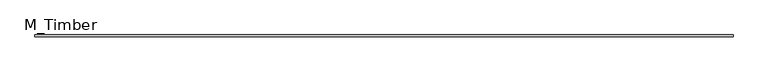
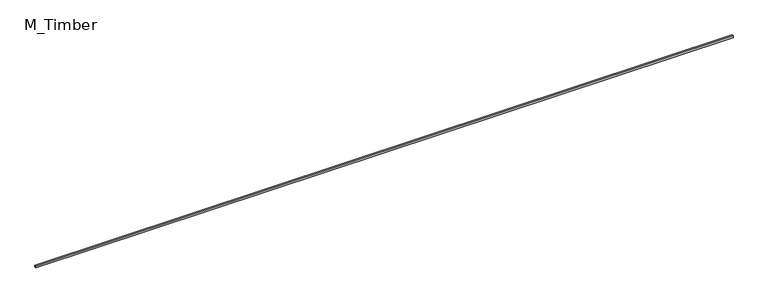
"""IFC4 building model written with IfcOpenShell, lengths in millimetres: beam geometry, M_Timber."""

from ifc_helpers import new_model, si_unit, frame, origin, place, context, project, spatial, polyline, outline, extrude, source, transform, mapped, element, save


def m_timber_1935e162(model_context):
    return source(origin(), model_context, "Body", "SweptSolid", [
        extrude(outline(polyline([(7787.496921, 20.0), (7787.496921, -20.0), (-7787.496921, -20.0), (-7787.496921, 20.0), (7787.496921, 20.0)])), frame((0.0, 0.0, -20.0), z_axis=(0.0, 0.0, 1.0), x_axis=(1.0, 0.0, 0.0)), (0.0, 0.0, 1.0), 40.0),
    ])


if __name__ == "__main__":
    model = new_model("IFC4")
    model_context = context("Model", 3, world=origin())
    ifc_project = project(units=[si_unit("LENGTHUNIT", "METRE", prefix="MILLI")], contexts=[model_context])
    site = spatial("IfcSite", under=ifc_project)
    building = spatial("IfcBuilding", under=site)
    placement = place(None, origin())
    m_timber_shape = m_timber_1935e162(model_context)
    element("IfcBeam", 1, ObjectType="M_Timber", at=placement, inside=building, context=model_context, shape_type="MappedRepresentation", body=[
        mapped(m_timber_shape, transform((0.0, 0.0, 0.0), x_axis=(1.0, 0.0, 0.0), y_axis=(0.0, 1.0, 0.0), z_axis=(0.0, 0.0, 1.0))),
    ])
    save(model, "model.ifc")
